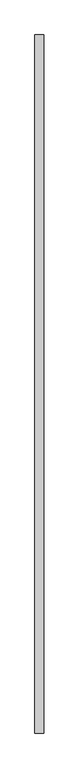
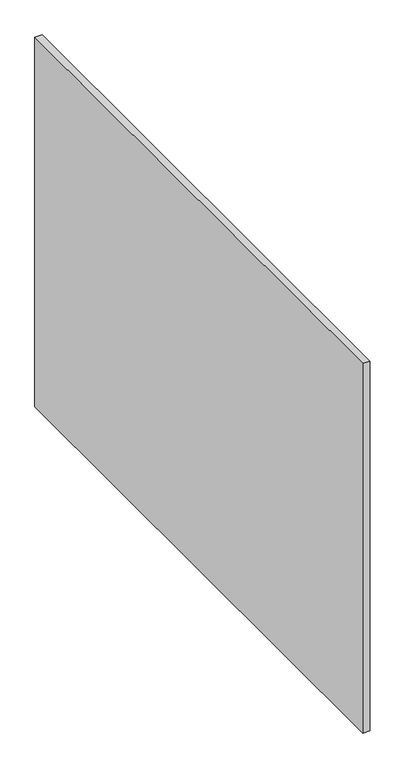
"""IFC4 building model written with IfcOpenShell, lengths in millimetres: proxy geometry."""

from ifc_helpers import new_model, si_unit, origin, origin_with_axes, place, context, project, spatial, polyline, outline, extrude, source, transform, mapped, element, save


def generic_models_8d24ad25(model_context):
    return source(origin(), model_context, "Body", "SweptSolid", [
        extrude(outline(polyline([(40.0, 3200.0), (40.0, 0.0), (0.0, 0.0), (0.0, 3200.0), (40.0, 3200.0)])), origin_with_axes(), (0.0, 0.0, 1.0), 2200.0),
    ])


if __name__ == "__main__":
    model = new_model("IFC4")
    model_context = context("Model", 3, world=origin())
    ifc_project = project(units=[si_unit("LENGTHUNIT", "METRE", prefix="MILLI")], contexts=[model_context])
    site = spatial("IfcSite", under=ifc_project)
    building = spatial("IfcBuilding", under=site)
    placement = place(None, origin())
    generic_models_shape = generic_models_8d24ad25(model_context)
    element("IfcBuildingElementProxy", 1, Name="Generic Models", at=placement, inside=building, context=model_context, shape_type="MappedRepresentation", body=[
        mapped(generic_models_shape, transform((0.0, 0.0, 0.0), x_axis=(1.0, 0.0, 0.0), y_axis=(0.0, 1.0, 0.0), z_axis=(0.0, 0.0, 1.0))),
    ])
    save(model, "model.ifc")
